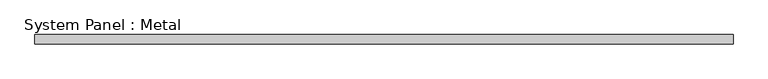
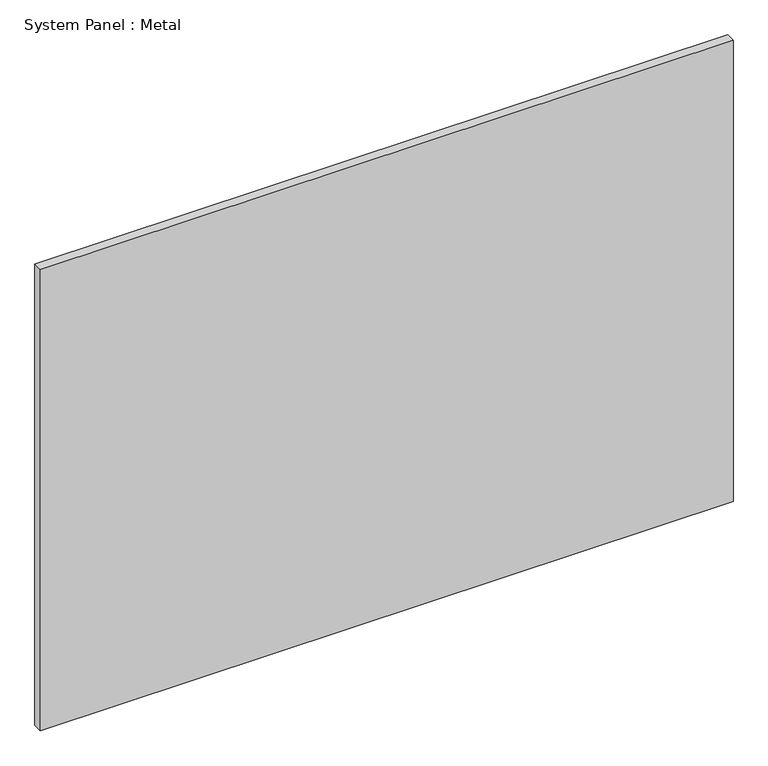
"""IFC4 building model written with IfcOpenShell, lengths in millimetres: plate geometry, System Panel : Metal."""

from ifc_helpers import new_model, si_unit, origin, origin_with_axes, place, context, project, spatial, polyline, outline, extrude, source, transform, mapped, element, save


def system_panel_metal_734c7597(model_context):
    return source(origin(), model_context, "Body", "SweptSolid", [
        extrude(outline(polyline([(600.0, -85.0), (-600.0, -85.0), (-600.0, -69.0), (600.0, -69.0), (600.0, -85.0)])), origin_with_axes(), (0.0, 0.0, 1.0), 845.0),
    ])


if __name__ == "__main__":
    model = new_model("IFC4")
    model_context = context("Model", 3, world=origin())
    ifc_project = project(units=[si_unit("LENGTHUNIT", "METRE", prefix="MILLI")], contexts=[model_context])
    site = spatial("IfcSite", under=ifc_project)
    building = spatial("IfcBuilding", under=site)
    placement = place(None, origin())
    system_panel_metal_shape = system_panel_metal_734c7597(model_context)
    element("IfcPlate", 1, ObjectType="System Panel : Metal", at=placement, inside=building, context=model_context, shape_type="MappedRepresentation", body=[
        mapped(system_panel_metal_shape, transform((0.0, 0.0, 0.0), x_axis=(1.0, 0.0, 0.0), y_axis=(0.0, 1.0, 0.0), z_axis=(0.0, 0.0, 1.0))),
    ])
    save(model, "model.ifc")
